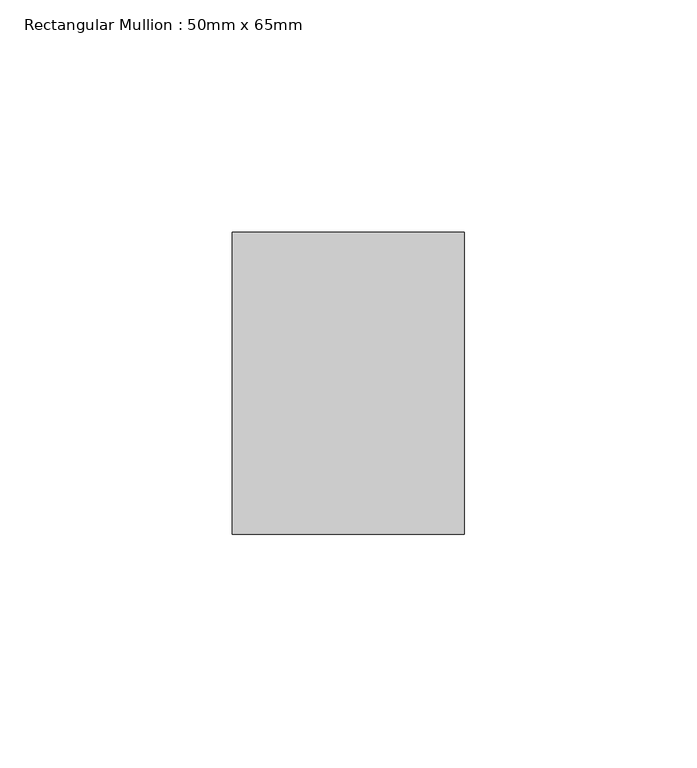
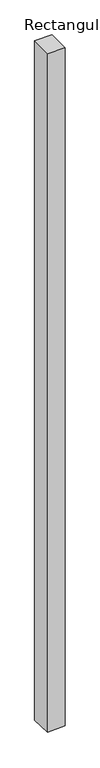
"""IFC4 building model written with IfcOpenShell, lengths in millimetres: member geometry, Rectangular Mullion : 50mm x 65mm."""

from ifc_helpers import new_model, si_unit, origin, place, context, project, spatial, faceted_brep, source, transform, mapped, element, save


def rectangular_mullion_50mm_x_65mm_56edf6c5(model_context):
    return source(origin(), model_context, "Body", "Brep", [
        faceted_brep([(25.0, 32.5, 0.0), (-25.0, 32.5, 0.0), (-25.0, -32.5, 0.0), (25.0, -32.5, 0.0), (25.0, 32.5, -2066.9096274), (-25.0, 32.5, -2069.1760266), (-25.0, -32.5, -2067.1676573), (25.0, -32.5, -2064.9012581)], [[[0, 1, 2, 3]], [[1, 0, 4, 5]], [[2, 1, 5, 6]], [[3, 2, 6, 7]], [[0, 3, 7, 4]], [[4, 7, 6, 5]]]),
    ])


if __name__ == "__main__":
    model = new_model("IFC4")
    model_context = context("Model", 3, world=origin())
    ifc_project = project(units=[si_unit("LENGTHUNIT", "METRE", prefix="MILLI")], contexts=[model_context])
    site = spatial("IfcSite", under=ifc_project)
    building = spatial("IfcBuilding", under=site)
    placement = place(None, origin())
    rectangular_mullion_50mm_x_65mm_shape = rectangular_mullion_50mm_x_65mm_56edf6c5(model_context)
    element("IfcMember", 1, ObjectType="Rectangular Mullion : 50mm x 65mm", at=placement, inside=building, context=model_context, shape_type="MappedRepresentation", body=[
        mapped(rectangular_mullion_50mm_x_65mm_shape, transform((0.0, 0.0, 0.0), x_axis=(1.0, 0.0, 0.0), y_axis=(0.0, 1.0, 0.0), z_axis=(0.0, 0.0, 1.0))),
    ])
    save(model, "model.ifc")
